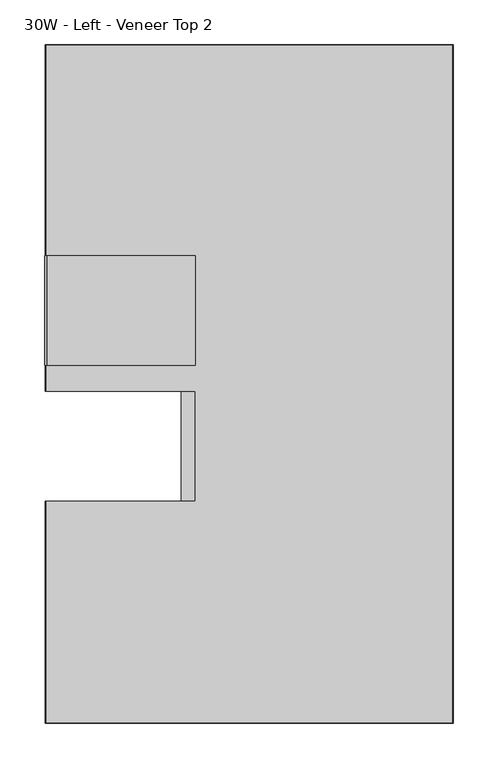
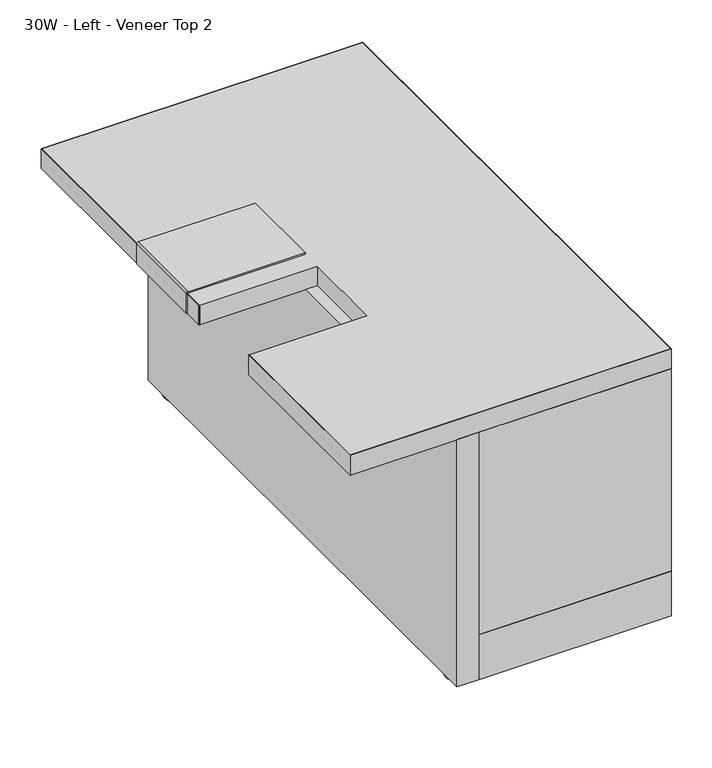
"""IFC4 building model written with IfcOpenShell, lengths in millimetres: furniture geometry, 30W - Left - Veneer Top 2."""

from ifc_helpers import new_model, si_unit, point, frame, frame_2d, origin, origin_with_axes, place, context, project, spatial, polyline, circle_curve, trimmed, segment, composite_curve, outline, extrude, source, transform, mapped, element, save


def furniture_30w_left_veneer_top_2_373f6b21(model_context):
    return source(origin(), model_context, "Body", "SweptSolid", [
        extrude(outline(composite_curve([segment(trimmed(circle_curve(frame_2d((4158.2619131, -33.1991024)), 2.6284763), [point((4155.6334368, -33.1991024))], [point((4160.8903893, -33.1991024))], False, "CARTESIAN"), True, "CONTINUOUS"), segment(trimmed(circle_curve(frame_2d((4158.2619131, -33.1991024)), 2.6284763), [point((4160.8903893, -33.1991024))], [point((4155.6334368, -33.1991024))], False, "CARTESIAN"), True, "CONTINUOUS")], self_intersect=False)), frame((0.0, 0.0, 4.2238198), z_axis=(0.0, 0.0, 1.0), x_axis=(1.0, 0.0, 0.0)), (0.0, 0.0, 1.0), 3.3651099),
        extrude(outline(composite_curve([segment(trimmed(circle_curve(frame_2d((4421.3505056, -32.993083)), 2.54), [point((4418.8105056, -32.993083))], [point((4423.8905056, -32.993083))], False, "CARTESIAN"), True, "CONTINUOUS"), segment(trimmed(circle_curve(frame_2d((4421.3505056, -32.993083)), 2.54), [point((4423.8905056, -32.993083))], [point((4418.8105056, -32.993083))], False, "CARTESIAN"), True, "CONTINUOUS")], self_intersect=False)), frame((0.0, 0.0, 4.2238198), z_axis=(0.0, 0.0, 1.0), x_axis=(1.0, 0.0, 0.0)), (0.0, 0.0, 1.0), 3.3651099),
        extrude(outline(composite_curve([segment(trimmed(circle_curve(frame_2d((4421.892333, -725.2100867)), 2.5760548), [point((4419.3162782, -725.2100867))], [point((4424.4683878, -725.2100867))], False, "CARTESIAN"), True, "CONTINUOUS"), segment(trimmed(circle_curve(frame_2d((4421.892333, -725.2100867)), 2.5760548), [point((4424.4683878, -725.2100867))], [point((4419.3162782, -725.2100867))], False, "CARTESIAN"), True, "CONTINUOUS")], self_intersect=False)), frame((0.0, 0.0, 4.2238198), z_axis=(0.0, 0.0, 1.0), x_axis=(1.0, 0.0, 0.0)), (0.0, 0.0, 1.0), 3.3651099),
        extrude(outline(composite_curve([segment(trimmed(circle_curve(frame_2d((4158.8037405, -725.4161788)), 2.54), [point((4156.2637405, -725.4161788))], [point((4161.3437405, -725.4161788))], False, "CARTESIAN"), True, "CONTINUOUS"), segment(trimmed(circle_curve(frame_2d((4158.8037405, -725.4161788)), 2.54), [point((4161.3437405, -725.4161788))], [point((4156.2637405, -725.4161788))], False, "CARTESIAN"), True, "CONTINUOUS")], self_intersect=False)), frame((0.0, 0.0, 4.2238198), z_axis=(0.0, 0.0, 1.0), x_axis=(1.0, 0.0, 0.0)), (0.0, 0.0, 1.0), 3.3651099),
        extrude(outline(composite_curve([segment(trimmed(circle_curve(frame_2d((4158.2619131, -33.1991024)), 19.05), [point((4139.2119131, -33.1991024))], [point((4177.3119131, -33.1991024))], False, "CARTESIAN"), True, "CONTINUOUS"), segment(trimmed(circle_curve(frame_2d((4158.2619131, -33.1991024)), 19.05), [point((4177.3119131, -33.1991024))], [point((4139.2119131, -33.1991024))], False, "CARTESIAN"), True, "CONTINUOUS")], self_intersect=False)), origin_with_axes(), (0.0, 0.0, 1.0), 4.2238198),
        extrude(outline(composite_curve([segment(trimmed(circle_curve(frame_2d((4421.3505056, -32.993083)), 19.05), [point((4402.3005056, -32.993083))], [point((4440.4005056, -32.993083))], False, "CARTESIAN"), True, "CONTINUOUS"), segment(trimmed(circle_curve(frame_2d((4421.3505056, -32.993083)), 19.05), [point((4440.4005056, -32.993083))], [point((4402.3005056, -32.993083))], False, "CARTESIAN"), True, "CONTINUOUS")], self_intersect=False)), origin_with_axes(), (0.0, 0.0, 1.0), 4.2238198),
        extrude(outline(composite_curve([segment(trimmed(circle_curve(frame_2d((4421.892333, -725.2100867)), 19.05), [point((4402.842333, -725.2100867))], [point((4440.942333, -725.2100867))], False, "CARTESIAN"), True, "CONTINUOUS"), segment(trimmed(circle_curve(frame_2d((4421.892333, -725.2100867)), 19.05), [point((4440.942333, -725.2100867))], [point((4402.842333, -725.2100867))], False, "CARTESIAN"), True, "CONTINUOUS")], self_intersect=False)), origin_with_axes(), (0.0, 0.0, 1.0), 4.2238198),
        extrude(outline(composite_curve([segment(trimmed(circle_curve(frame_2d((4158.8037405, -725.4161788)), 19.05), [point((4139.7537405, -725.4161788))], [point((4177.8537405, -725.4161788))], False, "CARTESIAN"), True, "CONTINUOUS"), segment(trimmed(circle_curve(frame_2d((4158.8037405, -725.4161788)), 19.05), [point((4177.8537405, -725.4161788))], [point((4139.7537405, -725.4161788))], False, "CARTESIAN"), True, "CONTINUOUS")], self_intersect=False)), origin_with_axes(), (0.0, 0.0, 1.0), 4.2238198),
        extrude(outline(polyline([(4166.9399615, 1.9276042), (4166.9399615, -760.0723958), (4136.0272237, -760.0723958), (4136.0272237, 1.9276042), (4166.9399615, 1.9276042)])), frame((0.0, 0.0, 7.5889297), z_axis=(0.0, 0.0, 1.0), x_axis=(1.0, 0.0, 0.0)), (0.0, 0.0, 1.0), 372.3007456),
        extrude(outline(polyline([(4166.9399615, 1.9276042), (4441.4721456, 1.9276042), (4441.4721456, -760.0723958), (4166.9399615, -760.0723958), (4166.9399615, 1.9276042)])), frame((0.0, 0.0, 7.5889297), z_axis=(0.0, 0.0, 1.0), x_axis=(1.0, 0.0, 0.0)), (0.0, 0.0, 1.0), 67.4270526),
        extrude(outline(polyline([(4166.9399615, -760.0723958), (4166.9399615, -741.1019518), (4441.4721456, -741.1019518), (4441.4721456, -760.0723958), (4166.9399615, -760.0723958)])), frame((0.0, 0.0, 75.0159824), z_axis=(0.0, 0.0, 1.0), x_axis=(1.0, 0.0, 0.0)), (0.0, 0.0, 1.0), 304.873693),
        extrude(outline(polyline([(4166.9399615, 1.9276042), (4441.4721456, 1.9276042), (4441.4721456, -17.1421639), (4166.9399615, -17.1421639), (4166.9399615, 1.9276042)])), frame((0.0, 0.0, 75.0159824), z_axis=(0.0, 0.0, 1.0), x_axis=(1.0, 0.0, 0.0)), (0.0, 0.0, 1.0), 304.873693),
        extrude(outline(composite_curve([segment(polyline([(379.8896753, 3983.6768331), (409.5798689, 3983.6768331), (409.5798689, 4152.0544781), (411.9798677, 4152.0544781), (411.9798677, 3985.1754238)]), True, "CONTINUOUS"), segment(trimmed(circle_curve(frame_2d((409.4398677, 3985.1754238)), 2.54), [point((411.9798677, 3985.1754238))], [point((409.4398677, 3982.6354238))], False, "CARTESIAN"), True, "CONTINUOUS"), segment(polyline([(409.4398677, 3982.6354238), (379.8896753, 3982.6354238), (379.8896753, 3983.6768331)]), True, "CONTINUOUS")], self_intersect=False)), frame((0.0, -358.0856491, 0.0), z_axis=(0.0, 1.0, 0.0), x_axis=(0.0, 0.0, 1.0)), (0.0, 0.0, 1.0), 123.1711782),
        extrude(outline(polyline([(4440.4799581, 0.9116042), (4440.4799581, -759.1040208), (3984.6690206, -759.1040208), (3984.6690206, -510.4856491), (4152.0544781, -510.4856491), (4152.0544781, -387.3144709), (3984.6690206, -387.3144709), (3984.6690206, 0.9116042), (4440.4799581, 0.9116042)])), frame((0.0, 0.0, 379.8896753), z_axis=(0.0, 0.0, 1.0), x_axis=(1.0, 0.0, 0.0)), (0.0, 0.0, 1.0), 29.6901936),
        extrude(outline(polyline([(4441.4721456, 1.9276042), (4441.4721456, -760.0723958), (3983.6768331, -760.0723958), (3983.6768331, -510.4856491), (3984.6690206, -510.4856491), (3984.6690206, -759.1040208), (4440.4799581, -759.1040208), (4440.4799581, 0.9116042), (3984.6690206, 0.9116042), (3984.6690206, -387.3144709), (3983.6768331, -387.3144709), (3983.6768331, 1.9276042), (4441.4721456, 1.9276042)])), frame((0.0, 0.0, 379.8896753), z_axis=(0.0, 0.0, 1.0), x_axis=(1.0, 0.0, 0.0)), (0.0, 0.0, 1.0), 29.6901936),
    ])


if __name__ == "__main__":
    model = new_model("IFC4")
    model_context = context("Model", 3, world=origin())
    ifc_project = project(units=[si_unit("LENGTHUNIT", "METRE", prefix="MILLI")], contexts=[model_context])
    site = spatial("IfcSite", under=ifc_project)
    building = spatial("IfcBuilding", under=site)
    placement = place(None, origin())
    furniture_30w_left_veneer_top_2_shape = furniture_30w_left_veneer_top_2_373f6b21(model_context)
    element("IfcFurniture", 1, ObjectType="30W - Left - Veneer Top 2", at=placement, inside=building, context=model_context, shape_type="MappedRepresentation", body=[
        mapped(furniture_30w_left_veneer_top_2_shape, transform((0.0, 0.0, 0.0), x_axis=(1.0, 0.0, 0.0), y_axis=(0.0, 1.0, 0.0), z_axis=(0.0, 0.0, 1.0))),
    ])
    save(model, "model.ifc")
